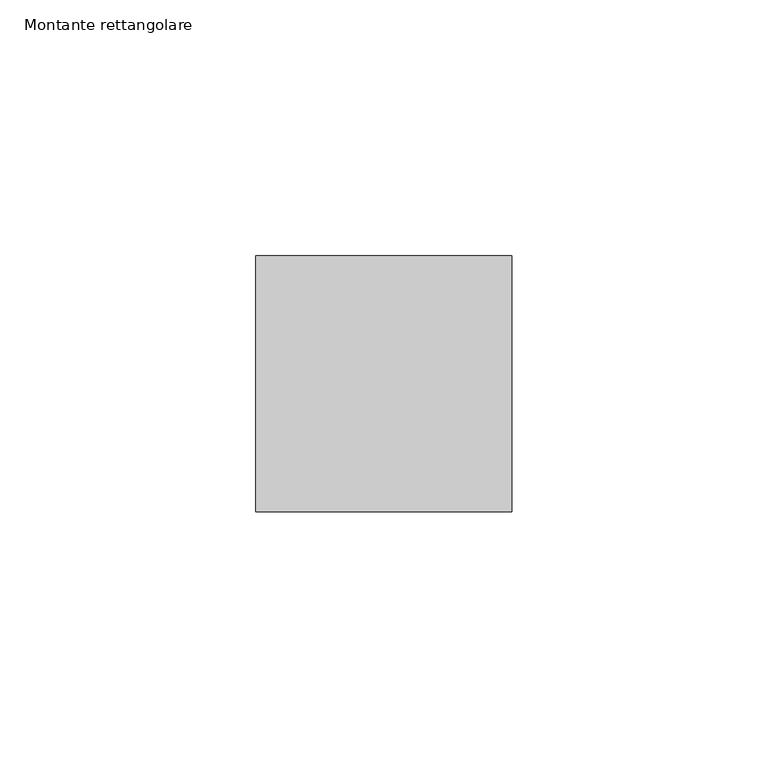
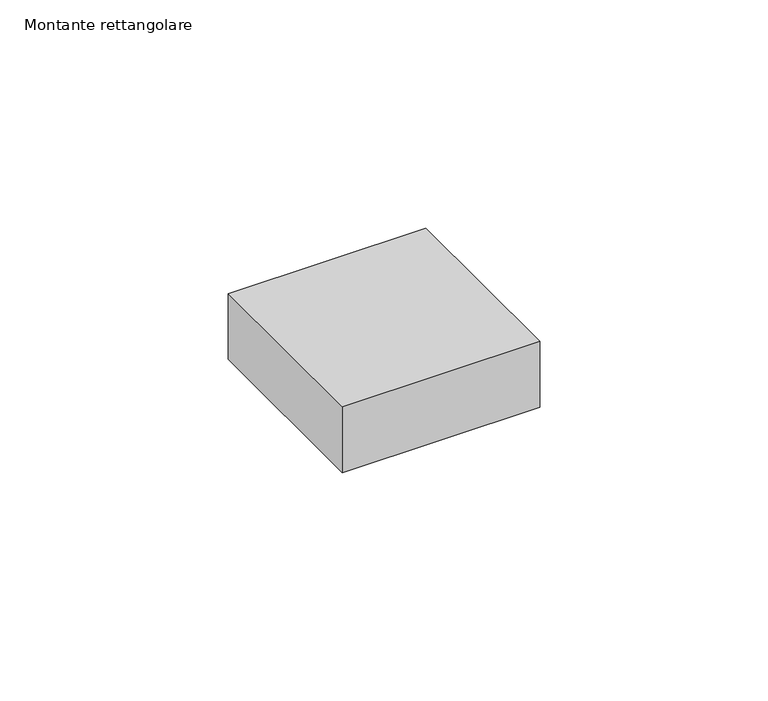
"""IFC4 building model written with IfcOpenShell, lengths in millimetres: member geometry, Montante rettangolare."""

from ifc_helpers import new_model, si_unit, frame, origin, place, context, project, spatial, polyline, outline, extrude, source, transform, mapped, element, save


def montante_rettangolare_47f36a54(model_context):
    return source(origin(), model_context, "Body", "SweptSolid", [
        extrude(outline(polyline([(25.0, 25.0), (25.0, -25.0), (-25.0, -25.0), (-25.0, 25.0), (25.0, 25.0)])), frame((0.0, 0.0, -17.5848764), z_axis=(0.0, 0.0, 1.0), x_axis=(1.0, 0.0, 0.0)), (0.0, 0.0, 1.0), 17.5848764),
    ])


if __name__ == "__main__":
    model = new_model("IFC4")
    model_context = context("Model", 3, world=origin())
    ifc_project = project(units=[si_unit("LENGTHUNIT", "METRE", prefix="MILLI")], contexts=[model_context])
    site = spatial("IfcSite", under=ifc_project)
    building = spatial("IfcBuilding", under=site)
    placement = place(None, origin())
    montante_rettangolare_shape = montante_rettangolare_47f36a54(model_context)
    element("IfcMember", 1, ObjectType="Montante rettangolare", at=placement, inside=building, context=model_context, shape_type="MappedRepresentation", body=[
        mapped(montante_rettangolare_shape, transform((0.0, 0.0, 0.0), x_axis=(1.0, 0.0, 0.0), y_axis=(0.0, 1.0, 0.0), z_axis=(0.0, 0.0, 1.0))),
    ])
    save(model, "model.ifc")
